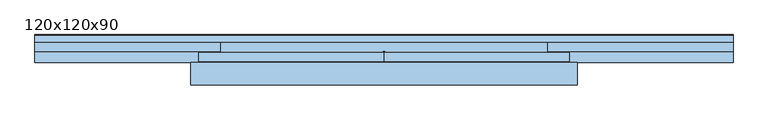
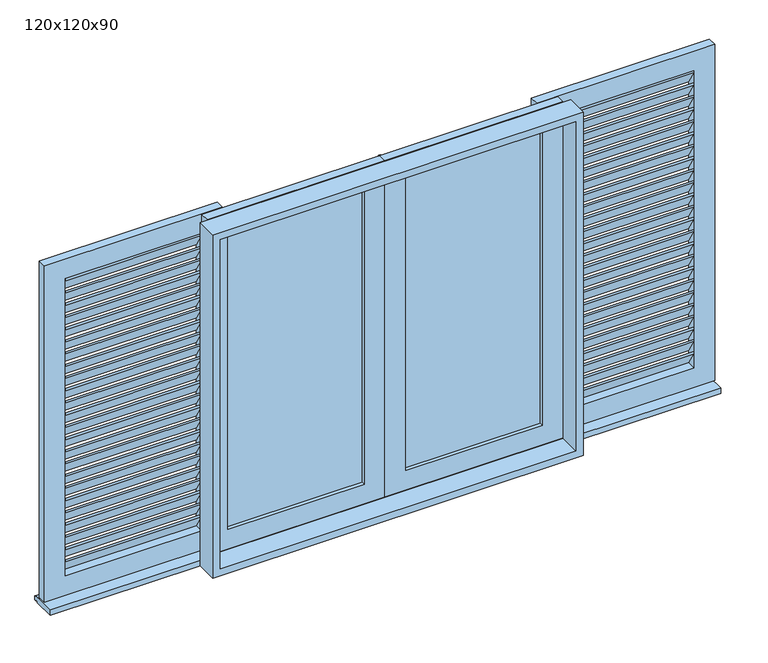
"""IFC4 building model written with IfcOpenShell, lengths in millimetres: window geometry, 120x120x90."""

import ifcopenshell
import ifcopenshell.guid

model = None  # the IFC model being written
_history = None  # IfcOwnerHistory: only IFC2X3 demands one
_inside = {}  # id of a spatial element -> (the spatial element, [elements in it])
_under = {}  # id of a project, library or spatial element -> (it, [spatial elements below it])
_declared = {}  # id of a project -> (the project, [libraries it declares])
_typed = {}  # id of a type object -> (the type object, [elements of that type])
_made_of = {}  # id of a material, layer set ... -> (it, [elements and type objects made of it])


def new_model(schema):
    """Start an empty IFC model of exactly this schema.

    Asked for "IFC4X3", IfcOpenShell would pick the latest addendum, in which some entities
    have other attributes; the version numbers below select the first issue.
    IFC2X3 requires an IfcOwnerHistory on every rooted entity: one is made here for all.
    """
    global model, _history
    if schema == "IFC4X3":
        model = ifcopenshell.file(schema_version=(4, 3, 0, 0))
    else:
        model = ifcopenshell.file(schema=schema)
    _inside.clear()
    _under.clear()
    _declared.clear()
    _typed.clear()
    _made_of.clear()
    _history = None
    if model.schema == "IFC2X3":
        org = make("IfcOrganization", Name="unknown")
        user = make(
            "IfcPersonAndOrganization",
            ThePerson=make("IfcPerson", FamilyName="unknown"),
            TheOrganization=org,
        )
        app = make(
            "IfcApplication",
            ApplicationDeveloper=org,
            Version="unknown",
            ApplicationFullName="unknown",
            ApplicationIdentifier="unknown",
        )
        _history = make(
            "IfcOwnerHistory",
            OwningUser=user,
            OwningApplication=app,
            ChangeAction="ADDED",
            CreationDate=0,
        )
    return model


def make(cls, **values):
    """One entity of the class cls with the attributes given. An attribute that is None is left unset."""
    return model.create_entity(
        cls, **{name: value for name, value in values.items() if value is not None}
    )


def rooted(cls, **values):
    """An entity with a GlobalId (a new one), such as an element, a storey or a relation."""
    return make(cls, GlobalId=ifcopenshell.guid.new(), OwnerHistory=_history, **values)


def si_unit(unit_type, name, prefix=None):
    """IfcSIUnit, for example si_unit("LENGTHUNIT", "METRE", prefix="MILLI")."""
    return make("IfcSIUnit", UnitType=unit_type, Prefix=prefix, Name=name)


def assignment(units):
    """IfcUnitAssignment: the units of a project."""
    return None if units is None else make("IfcUnitAssignment", Units=units)


def point(xyz):
    """IfcCartesianPoint."""
    return None if xyz is None else make("IfcCartesianPoint", Coordinates=xyz)


def direction(xyz):
    """IfcDirection."""
    return None if xyz is None else make("IfcDirection", DirectionRatios=xyz)


def frame(location, z_axis=None, x_axis=None):
    """IfcAxis2Placement3D, a coordinate frame: its origin and axes. An axis left out is left unset."""
    return make(
        "IfcAxis2Placement3D",
        Location=point(location),
        Axis=direction(z_axis),
        RefDirection=direction(x_axis),
    )


def frame_2d(location, x_axis=None):
    """IfcAxis2Placement2D, a coordinate frame in the plane: its origin and x axis."""
    return make(
        "IfcAxis2Placement2D", Location=point(location), RefDirection=direction(x_axis)
    )


def origin():
    """The frame at (0, 0, 0) with its axes left unset."""
    return frame((0.0, 0.0, 0.0))


def place(relative_to, where):
    """IfcLocalPlacement: puts the frame where relative to a parent placement (None: the world)."""
    return make(
        "IfcLocalPlacement", PlacementRelTo=relative_to, RelativePlacement=where
    )


def context(
    kind, dimensions, precision=None, world=None, true_north=None, identifier=None
):
    """IfcGeometricRepresentationContext, for example the 3D "Model" context."""
    return make(
        "IfcGeometricRepresentationContext",
        ContextIdentifier=identifier,
        ContextType=kind,
        CoordinateSpaceDimension=dimensions,
        Precision=precision,
        WorldCoordinateSystem=world,
        TrueNorth=true_north,
    )


def project(units=None, contexts=None):
    """IfcProject with its units and contexts."""
    return rooted(
        "IfcProject",
        Name="project",
        RepresentationContexts=contexts,
        UnitsInContext=assignment(units),
    )


def spatial(cls, under=None, at=None, **own):
    """A site, building, storey or space (cls), placed at a placement, below another one or the project."""
    s = rooted(cls, ObjectPlacement=at, **own)
    if under is not None:
        _under.setdefault(under.id(), (under, []))[1].append(s)
    return s


def polyline(points):
    """IfcPolyline through the points."""
    return make("IfcPolyline", Points=[point(p) for p in points])


def circle_curve(where, radius):
    """IfcCircle in the frame where."""
    return make("IfcCircle", Position=where, Radius=radius)


def trimmed(basis, trim1, trim2, sense, master):
    """IfcTrimmedCurve: the piece of a basis curve between two trims."""
    return make(
        "IfcTrimmedCurve",
        BasisCurve=basis,
        Trim1=trim1,
        Trim2=trim2,
        SenseAgreement=sense,
        MasterRepresentation=master,
    )


def segment(curve, same_sense, transition):
    """IfcCompositeCurveSegment."""
    return make(
        "IfcCompositeCurveSegment",
        Transition=transition,
        SameSense=same_sense,
        ParentCurve=curve,
    )


def composite_curve(segments, self_intersect=None):
    """IfcCompositeCurve: segments joined end to end."""
    return make("IfcCompositeCurve", Segments=segments, SelfIntersect=self_intersect)


def outline(outer, holes=None, kind="AREA"):
    """IfcArbitraryClosedProfileDef: a profile drawn as a closed curve; with holes, ...WithVoids."""
    if holes is None:
        return make("IfcArbitraryClosedProfileDef", ProfileType=kind, OuterCurve=outer)
    return make(
        "IfcArbitraryProfileDefWithVoids",
        ProfileType=kind,
        OuterCurve=outer,
        InnerCurves=holes,
    )


def extrude(swept, where, along, depth):
    """IfcExtrudedAreaSolid: the profile swept, set in the frame where, extruded along a direction by depth."""
    return make(
        "IfcExtrudedAreaSolid",
        SweptArea=swept,
        Position=where,
        ExtrudedDirection=direction(along),
        Depth=depth,
    )


def shape(context_of_items, identifier, shape_type, items):
    """IfcShapeRepresentation: the items that make up one representation, for example the "Body"."""
    return make(
        "IfcShapeRepresentation",
        ContextOfItems=context_of_items,
        RepresentationIdentifier=identifier,
        RepresentationType=shape_type,
        Items=items,
    )


def source(mapping_origin, context_of_items, identifier, shape_type, items):
    """IfcRepresentationMap: a shape defined once, which mapped items show again and again."""
    return make(
        "IfcRepresentationMap",
        MappingOrigin=mapping_origin,
        MappedRepresentation=shape(context_of_items, identifier, shape_type, items),
    )


def transform(
    local_origin,
    x_axis=None,
    y_axis=None,
    z_axis=None,
    scale=None,
    scale2=None,
    scale3=None,
    uniform=True,
):
    """IfcCartesianTransformationOperator3D, or its non-uniform kind. x_axis, y_axis, z_axis: its Axis1, 2, 3."""
    if uniform:
        return make(
            "IfcCartesianTransformationOperator3D",
            Axis1=direction(x_axis),
            Axis2=direction(y_axis),
            LocalOrigin=point(local_origin),
            Scale=scale,
            Axis3=direction(z_axis),
        )
    return make(
        "IfcCartesianTransformationOperator3DnonUniform",
        Axis1=direction(x_axis),
        Axis2=direction(y_axis),
        LocalOrigin=point(local_origin),
        Scale=scale,
        Axis3=direction(z_axis),
        Scale2=scale2,
        Scale3=scale3,
    )


def mapped(mapping_source, mapping_target):
    """IfcMappedItem: shows the shape of a source again, moved by a transform."""
    return make(
        "IfcMappedItem", MappingSource=mapping_source, MappingTarget=mapping_target
    )


def made_of(thing, what):
    """Note that an element or type object is made of a material, layer set ...; save() writes the relation."""
    if what is not None:
        _made_of.setdefault(what.id(), (what, []))[1].append(thing)
    return thing


def element(
    cls,
    number,
    at=None,
    inside=None,
    cuts=None,
    type_object=None,
    material=None,
    context=None,
    identifier="Body",
    shape_type=None,
    held_by="IfcProductDefinitionShape",
    body=None,
    shapes=None,
    **own,
):
    """One element of the class cls, such as IfcWall. Its Tag is "e" and its number.

    at: its placement. inside: the storey or other place that contains it. cuts: it is an
    opening in that element (IfcRelVoidsElement). A single representation is given by context,
    identifier, shape_type and body (its items); several are given by shapes. held_by: the class
    of the entity that holds the representations. save() writes the other relations.
    """
    e = rooted(cls, Tag="e%d" % number, ObjectPlacement=at, **own)
    if body is not None:
        shapes = [shape(context, identifier, shape_type, body)]
    if shapes is not None:
        e.Representation = make(held_by, Representations=shapes)
    if inside is not None:
        _inside.setdefault(inside.id(), (inside, []))[1].append(e)
    if cuts is not None:
        rooted(
            "IfcRelVoidsElement", RelatingBuildingElement=cuts, RelatedOpeningElement=e
        )
    if type_object is not None:
        _typed.setdefault(type_object.id(), (type_object, []))[1].append(e)
    return made_of(e, material)


def aggregate(whole, parts):
    """IfcRelAggregates: a whole, such as a stair, and the parts it consists of."""
    return rooted("IfcRelAggregates", RelatingObject=whole, RelatedObjects=parts)


def save(model, path):
    """Write the relations noted so far, then the file.

    IfcRelAggregates (storeys below a building ...), IfcRelContainedInSpatialStructure (elements
    in a storey), IfcRelDefinesByType, IfcRelAssociatesMaterial and IfcRelDeclares: one each for
    every whole, place, type object, material and project.
    """
    for whole, parts in _under.values():
        aggregate(whole, parts)
    for where, things in _inside.values():
        rooted(
            "IfcRelContainedInSpatialStructure",
            RelatedElements=things,
            RelatingStructure=where,
        )
    for kind, things in _typed.values():
        rooted("IfcRelDefinesByType", RelatedObjects=things, RelatingType=kind)
    for what, things in _made_of.values():
        rooted("IfcRelAssociatesMaterial", RelatedObjects=things, RelatingMaterial=what)
    for by, libraries in _declared.values():
        rooted("IfcRelDeclares", RelatingContext=by, RelatedDefinitions=libraries)
    model.write(path)


def plane_surface(at):
    """IfcPlane: the flat surface through the origin of the frame at, square to its z axis."""
    return make("IfcPlane", Position=at)


def cylinder_surface(at, radius):
    """IfcCylindricalSurface: all points at the distance radius from the z axis of the frame at."""
    return make("IfcCylindricalSurface", Position=at, Radius=radius)


def revolved_surface(curve, axis_point, axis_direction):
    """IfcSurfaceOfRevolution: the curve turned about the line through axis_point along axis_direction."""
    return make(
        "IfcSurfaceOfRevolution",
        SweptCurve=make("IfcArbitraryOpenProfileDef", ProfileType="CURVE", Curve=curve),
        AxisPosition=make("IfcAxis1Placement", Location=point(axis_point), Axis=direction(axis_direction)),
    )


def advanced_brep(points, edges, surfaces, faces):
    """IfcAdvancedBrep: a solid bounded by faces that lie on surfaces and meet in shared edges.

    An edge is (start, end): straight between two places in points (the first is 0);
    or (start, end, curve); or (start, end, curve, False) where it runs against its curve.
    A face is (place in surfaces, loops), or (place, loops, False) where it looks against
    its surface's normal. A loop lists edges by number (the first is 1), with a minus sign
    where the edge is run from its end to its start. The first loop is the outer one.
    """
    corners = [point(p) for p in points]
    vertices = [make("IfcVertexPoint", VertexGeometry=c) for c in corners]
    made = []
    for start, end, *more in edges:
        made.append(
            make(
                "IfcEdgeCurve",
                EdgeStart=vertices[start],
                EdgeEnd=vertices[end],
                EdgeGeometry=more[0] if more else make("IfcPolyline", Points=[corners[start], corners[end]]),
                SameSense=more[1] if len(more) > 1 else True,
            )
        )
    hull = []
    for where, loops, *sense in faces:
        bounds = []
        for j, loop in enumerate(loops):
            ring = [make("IfcOrientedEdge", EdgeElement=made[abs(k) - 1], Orientation=k > 0) for k in loop]
            bounds.append(
                make(
                    "IfcFaceOuterBound" if j == 0 else "IfcFaceBound",
                    Bound=make("IfcEdgeLoop", EdgeList=ring),
                    Orientation=True,
                )
            )
        hull.append(make("IfcAdvancedFace", Bounds=bounds, FaceSurface=surfaces[where], SameSense=sense[0] if sense else True))
    return make("IfcAdvancedBrep", Outer=make("IfcClosedShell", CfsFaces=hull))


def window_120x120x90_fa614fcd(model_context):
    return source(origin(), model_context, "Body", "SolidModel", [
        extrude(outline(polyline([(72.5773038, 1021.3496198), (72.5773038, 1013.5750173), (42.5773038, 1063.5750173), (42.5773038, 1071.3496198), (72.5773038, 1021.3496198)])), frame((-1060.0, 0.0, 0.0), z_axis=(1.0, 0.0, 0.0), x_axis=(0.0, 1.0, 0.0)), (0.0, 0.0, 1.0), 460.0),
        extrude(outline(polyline([(72.5773038, 1064.9246371), (72.5773038, 1057.1500346), (42.5773038, 1107.1500346), (42.5773038, 1114.9246371), (72.5773038, 1064.9246371)])), frame((-1060.0, 0.0, 0.0), z_axis=(1.0, 0.0, 0.0), x_axis=(0.0, 1.0, 0.0)), (0.0, 0.0, 1.0), 460.0),
        extrude(outline(polyline([(72.5773038, 1108.4996544), (72.5773038, 1100.7250518), (42.5773038, 1150.7250518), (42.5773038, 1158.4996544), (72.5773038, 1108.4996544)])), frame((-1060.0, 0.0, 0.0), z_axis=(1.0, 0.0, 0.0), x_axis=(0.0, 1.0, 0.0)), (0.0, 0.0, 1.0), 460.0),
        extrude(outline(polyline([(72.5773038, 1152.0746717), (72.5773038, 1144.3000691), (42.5773038, 1194.3000691), (42.5773038, 1202.0746717), (72.5773038, 1152.0746717)])), frame((-1060.0, 0.0, 0.0), z_axis=(1.0, 0.0, 0.0), x_axis=(0.0, 1.0, 0.0)), (0.0, 0.0, 1.0), 460.0),
        extrude(outline(polyline([(72.5773038, 1195.6496889), (72.5773038, 1187.8750864), (42.5773038, 1237.8750864), (42.5773038, 1245.6496889), (72.5773038, 1195.6496889)])), frame((-1060.0, 0.0, 0.0), z_axis=(1.0, 0.0, 0.0), x_axis=(0.0, 1.0, 0.0)), (0.0, 0.0, 1.0), 460.0),
        extrude(outline(polyline([(72.5773038, 1239.2247062), (72.5773038, 1231.4501037), (42.5773038, 1281.4501037), (42.5773038, 1289.2247062), (72.5773038, 1239.2247062)])), frame((-1060.0, 0.0, 0.0), z_axis=(1.0, 0.0, 0.0), x_axis=(0.0, 1.0, 0.0)), (0.0, 0.0, 1.0), 460.0),
        extrude(outline(polyline([(72.5773038, 1282.7997235), (72.5773038, 1275.025121), (42.5773038, 1325.025121), (42.5773038, 1332.7997235), (72.5773038, 1282.7997235)])), frame((-1060.0, 0.0, 0.0), z_axis=(1.0, 0.0, 0.0), x_axis=(0.0, 1.0, 0.0)), (0.0, 0.0, 1.0), 460.0),
        extrude(outline(polyline([(72.5773038, 1326.3747408), (72.5773038, 1318.6001383), (42.5773038, 1368.6001383), (42.5773038, 1376.3747408), (72.5773038, 1326.3747408)])), frame((-1060.0, 0.0, 0.0), z_axis=(1.0, 0.0, 0.0), x_axis=(0.0, 1.0, 0.0)), (0.0, 0.0, 1.0), 460.0),
        extrude(outline(polyline([(72.5773038, 1369.9497581), (72.5773038, 1362.1751555), (42.5773038, 1412.1751555), (42.5773038, 1419.9497581), (72.5773038, 1369.9497581)])), frame((-1060.0, 0.0, 0.0), z_axis=(1.0, 0.0, 0.0), x_axis=(0.0, 1.0, 0.0)), (0.0, 0.0, 1.0), 460.0),
        extrude(outline(polyline([(72.5773038, 1413.5247753), (72.5773038, 1405.7501728), (42.5773038, 1455.7501728), (42.5773038, 1463.5247753), (72.5773038, 1413.5247753)])), frame((-1060.0, 0.0, 0.0), z_axis=(1.0, 0.0, 0.0), x_axis=(0.0, 1.0, 0.0)), (0.0, 0.0, 1.0), 460.0),
        extrude(outline(polyline([(72.5773038, 1457.0997926), (72.5773038, 1449.3251901), (42.5773038, 1499.3251901), (42.5773038, 1507.0997926), (72.5773038, 1457.0997926)])), frame((-1060.0, 0.0, 0.0), z_axis=(1.0, 0.0, 0.0), x_axis=(0.0, 1.0, 0.0)), (0.0, 0.0, 1.0), 460.0),
        extrude(outline(polyline([(72.5773038, 1500.6748099), (72.5773038, 1492.9002074), (42.5773038, 1542.9002074), (42.5773038, 1550.6748099), (72.5773038, 1500.6748099)])), frame((-1060.0, 0.0, 0.0), z_axis=(1.0, 0.0, 0.0), x_axis=(0.0, 1.0, 0.0)), (0.0, 0.0, 1.0), 460.0),
        extrude(outline(polyline([(72.5773038, 1544.2498272), (72.5773038, 1536.4752247), (42.5773038, 1586.4752247), (42.5773038, 1594.2498272), (72.5773038, 1544.2498272)])), frame((-1060.0, 0.0, 0.0), z_axis=(1.0, 0.0, 0.0), x_axis=(0.0, 1.0, 0.0)), (0.0, 0.0, 1.0), 460.0),
        extrude(outline(polyline([(72.5773038, 1587.8248445), (72.5773038, 1580.0502419), (42.5773038, 1630.0502419), (42.5773038, 1637.8248445), (72.5773038, 1587.8248445)])), frame((-1060.0, 0.0, 0.0), z_axis=(1.0, 0.0, 0.0), x_axis=(0.0, 1.0, 0.0)), (0.0, 0.0, 1.0), 460.0),
        extrude(outline(polyline([(72.5773038, 1631.3998617), (72.5773038, 1623.6252592), (42.5773038, 1673.6252592), (42.5773038, 1681.3998617), (72.5773038, 1631.3998617)])), frame((-1060.0, 0.0, 0.0), z_axis=(1.0, 0.0, 0.0), x_axis=(0.0, 1.0, 0.0)), (0.0, 0.0, 1.0), 460.0),
        extrude(outline(polyline([(72.5773038, 1674.974879), (72.5773038, 1667.2002765), (42.5773038, 1717.2002765), (42.5773038, 1724.974879), (72.5773038, 1674.974879)])), frame((-1060.0, 0.0, 0.0), z_axis=(1.0, 0.0, 0.0), x_axis=(0.0, 1.0, 0.0)), (0.0, 0.0, 1.0), 460.0),
        extrude(outline(polyline([(72.5773038, 1718.5498963), (72.5773038, 1710.7752938), (42.5773038, 1760.7752938), (42.5773038, 1768.5498963), (72.5773038, 1718.5498963)])), frame((-1060.0, 0.0, 0.0), z_axis=(1.0, 0.0, 0.0), x_axis=(0.0, 1.0, 0.0)), (0.0, 0.0, 1.0), 460.0),
        extrude(outline(polyline([(72.5773038, 1762.1249136), (72.5773038, 1754.3503111), (42.5773038, 1804.3503111), (42.5773038, 1812.1249136), (72.5773038, 1762.1249136)])), frame((-1060.0, 0.0, 0.0), z_axis=(1.0, 0.0, 0.0), x_axis=(0.0, 1.0, 0.0)), (0.0, 0.0, 1.0), 460.0),
        extrude(outline(polyline([(72.5773038, 1805.6999309), (72.5773038, 1797.9253283), (42.5773038, 1847.9253283), (42.5773038, 1855.6999309), (72.5773038, 1805.6999309)])), frame((-1060.0, 0.0, 0.0), z_axis=(1.0, 0.0, 0.0), x_axis=(0.0, 1.0, 0.0)), (0.0, 0.0, 1.0), 460.0),
        extrude(outline(polyline([(72.5773038, 1849.2749482), (72.5773038, 1841.5003456), (42.5773038, 1891.5003456), (42.5773038, 1899.2749482), (72.5773038, 1849.2749482)])), frame((-1060.0, 0.0, 0.0), z_axis=(1.0, 0.0, 0.0), x_axis=(0.0, 1.0, 0.0)), (0.0, 0.0, 1.0), 460.0),
        extrude(outline(polyline([(72.5773038, 1892.8499654), (72.5773038, 1885.0753629), (42.5773038, 1935.0753629), (42.5773038, 1942.8499654), (72.5773038, 1892.8499654)])), frame((-1060.0, 0.0, 0.0), z_axis=(1.0, 0.0, 0.0), x_axis=(0.0, 1.0, 0.0)), (0.0, 0.0, 1.0), 460.0),
        extrude(outline(polyline([(72.5773038, 1936.4249827), (72.5773038, 1928.6503802), (42.5773038, 1978.6503802), (42.5773038, 1986.4249827), (72.5773038, 1936.4249827)])), frame((-1060.0, 0.0, 0.0), z_axis=(1.0, 0.0, 0.0), x_axis=(0.0, 1.0, 0.0)), (0.0, 0.0, 1.0), 460.0),
        extrude(outline(polyline([(72.5773038, 977.7746025), (72.5773038, 970.0), (42.5773038, 1020.0), (42.5773038, 1027.7746025), (72.5773038, 977.7746025)])), frame((-1060.0, 0.0, 0.0), z_axis=(1.0, 0.0, 0.0), x_axis=(0.0, 1.0, 0.0)), (0.0, 0.0, 1.0), 460.0),
        extrude(outline(polyline([(72.5773038, 1980.0), (72.5773038, 1972.2253975), (42.5773038, 2022.2253975), (42.5773038, 2030.0), (72.5773038, 1980.0)])), frame((-1060.0, 0.0, 0.0), z_axis=(1.0, 0.0, 0.0), x_axis=(0.0, 1.0, 0.0)), (0.0, 0.0, 1.0), 460.0),
        extrude(outline(polyline([(2100.0, -1130.0), (900.0, -1130.0), (900.0, -530.0), (2100.0, -530.0), (2100.0, -1130.0)]), holes=[polyline([(2030.0, -1060.0), (2030.0, -600.0), (970.0, -600.0), (970.0, -1060.0), (2030.0, -1060.0)])]), frame((0.0, 42.5773038, 0.0), z_axis=(0.0, 1.0, 0.0), x_axis=(0.0, 0.0, 1.0)), (0.0, 0.0, 1.0), 30.0),
        extrude(outline(polyline([(72.5773038, 1021.3496198), (72.5773038, 1013.5750173), (42.5773038, 1063.5750173), (42.5773038, 1071.3496198), (72.5773038, 1021.3496198)])), frame((600.0, 0.0, 0.0), z_axis=(1.0, 0.0, 0.0), x_axis=(0.0, 1.0, 0.0)), (0.0, 0.0, 1.0), 460.0),
        extrude(outline(polyline([(72.5773038, 1064.9246371), (72.5773038, 1057.1500346), (42.5773038, 1107.1500346), (42.5773038, 1114.9246371), (72.5773038, 1064.9246371)])), frame((600.0, 0.0, 0.0), z_axis=(1.0, 0.0, 0.0), x_axis=(0.0, 1.0, 0.0)), (0.0, 0.0, 1.0), 460.0),
        extrude(outline(polyline([(72.5773038, 1108.4996544), (72.5773038, 1100.7250518), (42.5773038, 1150.7250518), (42.5773038, 1158.4996544), (72.5773038, 1108.4996544)])), frame((600.0, 0.0, 0.0), z_axis=(1.0, 0.0, 0.0), x_axis=(0.0, 1.0, 0.0)), (0.0, 0.0, 1.0), 460.0),
        extrude(outline(polyline([(72.5773038, 1152.0746717), (72.5773038, 1144.3000691), (42.5773038, 1194.3000691), (42.5773038, 1202.0746717), (72.5773038, 1152.0746717)])), frame((600.0, 0.0, 0.0), z_axis=(1.0, 0.0, 0.0), x_axis=(0.0, 1.0, 0.0)), (0.0, 0.0, 1.0), 460.0),
        extrude(outline(polyline([(72.5773038, 1195.6496889), (72.5773038, 1187.8750864), (42.5773038, 1237.8750864), (42.5773038, 1245.6496889), (72.5773038, 1195.6496889)])), frame((600.0, 0.0, 0.0), z_axis=(1.0, 0.0, 0.0), x_axis=(0.0, 1.0, 0.0)), (0.0, 0.0, 1.0), 460.0),
        extrude(outline(polyline([(72.5773038, 1239.2247062), (72.5773038, 1231.4501037), (42.5773038, 1281.4501037), (42.5773038, 1289.2247062), (72.5773038, 1239.2247062)])), frame((600.0, 0.0, 0.0), z_axis=(1.0, 0.0, 0.0), x_axis=(0.0, 1.0, 0.0)), (0.0, 0.0, 1.0), 460.0),
        extrude(outline(polyline([(72.5773038, 1282.7997235), (72.5773038, 1275.025121), (42.5773038, 1325.025121), (42.5773038, 1332.7997235), (72.5773038, 1282.7997235)])), frame((600.0, 0.0, 0.0), z_axis=(1.0, 0.0, 0.0), x_axis=(0.0, 1.0, 0.0)), (0.0, 0.0, 1.0), 460.0),
        extrude(outline(polyline([(72.5773038, 1326.3747408), (72.5773038, 1318.6001383), (42.5773038, 1368.6001383), (42.5773038, 1376.3747408), (72.5773038, 1326.3747408)])), frame((600.0, 0.0, 0.0), z_axis=(1.0, 0.0, 0.0), x_axis=(0.0, 1.0, 0.0)), (0.0, 0.0, 1.0), 460.0),
        extrude(outline(polyline([(72.5773038, 1369.9497581), (72.5773038, 1362.1751555), (42.5773038, 1412.1751555), (42.5773038, 1419.9497581), (72.5773038, 1369.9497581)])), frame((600.0, 0.0, 0.0), z_axis=(1.0, 0.0, 0.0), x_axis=(0.0, 1.0, 0.0)), (0.0, 0.0, 1.0), 460.0),
        extrude(outline(polyline([(72.5773038, 1413.5247753), (72.5773038, 1405.7501728), (42.5773038, 1455.7501728), (42.5773038, 1463.5247753), (72.5773038, 1413.5247753)])), frame((600.0, 0.0, 0.0), z_axis=(1.0, 0.0, 0.0), x_axis=(0.0, 1.0, 0.0)), (0.0, 0.0, 1.0), 460.0),
        extrude(outline(polyline([(72.5773038, 1457.0997926), (72.5773038, 1449.3251901), (42.5773038, 1499.3251901), (42.5773038, 1507.0997926), (72.5773038, 1457.0997926)])), frame((600.0, 0.0, 0.0), z_axis=(1.0, 0.0, 0.0), x_axis=(0.0, 1.0, 0.0)), (0.0, 0.0, 1.0), 460.0),
        extrude(outline(polyline([(72.5773038, 1500.6748099), (72.5773038, 1492.9002074), (42.5773038, 1542.9002074), (42.5773038, 1550.6748099), (72.5773038, 1500.6748099)])), frame((600.0, 0.0, 0.0), z_axis=(1.0, 0.0, 0.0), x_axis=(0.0, 1.0, 0.0)), (0.0, 0.0, 1.0), 460.0),
        extrude(outline(polyline([(72.5773038, 1544.2498272), (72.5773038, 1536.4752247), (42.5773038, 1586.4752247), (42.5773038, 1594.2498272), (72.5773038, 1544.2498272)])), frame((600.0, 0.0, 0.0), z_axis=(1.0, 0.0, 0.0), x_axis=(0.0, 1.0, 0.0)), (0.0, 0.0, 1.0), 460.0),
        extrude(outline(polyline([(72.5773038, 1587.8248445), (72.5773038, 1580.0502419), (42.5773038, 1630.0502419), (42.5773038, 1637.8248445), (72.5773038, 1587.8248445)])), frame((600.0, 0.0, 0.0), z_axis=(1.0, 0.0, 0.0), x_axis=(0.0, 1.0, 0.0)), (0.0, 0.0, 1.0), 460.0),
        extrude(outline(polyline([(72.5773038, 1631.3998617), (72.5773038, 1623.6252592), (42.5773038, 1673.6252592), (42.5773038, 1681.3998617), (72.5773038, 1631.3998617)])), frame((600.0, 0.0, 0.0), z_axis=(1.0, 0.0, 0.0), x_axis=(0.0, 1.0, 0.0)), (0.0, 0.0, 1.0), 460.0),
        extrude(outline(polyline([(72.5773038, 1674.974879), (72.5773038, 1667.2002765), (42.5773038, 1717.2002765), (42.5773038, 1724.974879), (72.5773038, 1674.974879)])), frame((600.0, 0.0, 0.0), z_axis=(1.0, 0.0, 0.0), x_axis=(0.0, 1.0, 0.0)), (0.0, 0.0, 1.0), 460.0),
        extrude(outline(polyline([(72.5773038, 1718.5498963), (72.5773038, 1710.7752938), (42.5773038, 1760.7752938), (42.5773038, 1768.5498963), (72.5773038, 1718.5498963)])), frame((600.0, 0.0, 0.0), z_axis=(1.0, 0.0, 0.0), x_axis=(0.0, 1.0, 0.0)), (0.0, 0.0, 1.0), 460.0),
        extrude(outline(polyline([(72.5773038, 1762.1249136), (72.5773038, 1754.3503111), (42.5773038, 1804.3503111), (42.5773038, 1812.1249136), (72.5773038, 1762.1249136)])), frame((600.0, 0.0, 0.0), z_axis=(1.0, 0.0, 0.0), x_axis=(0.0, 1.0, 0.0)), (0.0, 0.0, 1.0), 460.0),
        extrude(outline(polyline([(72.5773038, 1805.6999309), (72.5773038, 1797.9253283), (42.5773038, 1847.9253283), (42.5773038, 1855.6999309), (72.5773038, 1805.6999309)])), frame((600.0, 0.0, 0.0), z_axis=(1.0, 0.0, 0.0), x_axis=(0.0, 1.0, 0.0)), (0.0, 0.0, 1.0), 460.0),
        extrude(outline(polyline([(72.5773038, 1849.2749482), (72.5773038, 1841.5003456), (42.5773038, 1891.5003456), (42.5773038, 1899.2749482), (72.5773038, 1849.2749482)])), frame((600.0, 0.0, 0.0), z_axis=(1.0, 0.0, 0.0), x_axis=(0.0, 1.0, 0.0)), (0.0, 0.0, 1.0), 460.0),
        extrude(outline(polyline([(72.5773038, 1892.8499654), (72.5773038, 1885.0753629), (42.5773038, 1935.0753629), (42.5773038, 1942.8499654), (72.5773038, 1892.8499654)])), frame((600.0, 0.0, 0.0), z_axis=(1.0, 0.0, 0.0), x_axis=(0.0, 1.0, 0.0)), (0.0, 0.0, 1.0), 460.0),
        extrude(outline(polyline([(72.5773038, 1936.4249827), (72.5773038, 1928.6503802), (42.5773038, 1978.6503802), (42.5773038, 1986.4249827), (72.5773038, 1936.4249827)])), frame((600.0, 0.0, 0.0), z_axis=(1.0, 0.0, 0.0), x_axis=(0.0, 1.0, 0.0)), (0.0, 0.0, 1.0), 460.0),
        extrude(outline(polyline([(72.5773038, 977.7746025), (72.5773038, 970.0), (42.5773038, 1020.0), (42.5773038, 1027.7746025), (72.5773038, 977.7746025)])), frame((600.0, 0.0, 0.0), z_axis=(1.0, 0.0, 0.0), x_axis=(0.0, 1.0, 0.0)), (0.0, 0.0, 1.0), 460.0),
        extrude(outline(polyline([(72.5773038, 1980.0), (72.5773038, 1972.2253975), (42.5773038, 2022.2253975), (42.5773038, 2030.0), (72.5773038, 1980.0)])), frame((600.0, 0.0, 0.0), z_axis=(1.0, 0.0, 0.0), x_axis=(0.0, 1.0, 0.0)), (0.0, 0.0, 1.0), 460.0),
        extrude(outline(polyline([(2100.0, 1130.0), (2100.0, 530.0), (900.0, 530.0), (900.0, 1130.0), (2100.0, 1130.0)]), holes=[polyline([(2030.0, 1060.0), (970.0, 1060.0), (970.0, 600.0), (2030.0, 600.0), (2030.0, 1060.0)])]), frame((0.0, 42.5773038, 0.0), z_axis=(0.0, 1.0, 0.0), x_axis=(0.0, 0.0, 1.0)), (0.0, 0.0, 1.0), 30.0),
        extrude(outline(polyline([(2100.0, 0.0), (900.0, 0.0), (900.0, 600.0), (2100.0, 600.0), (2100.0, 0.0)]), holes=[polyline([(2030.0, 70.0), (2030.0, 530.0), (970.0, 530.0), (970.0, 70.0), (2030.0, 70.0)])]), frame((0.0, 10.0773038, 0.0), z_axis=(0.0, 1.0, 0.0), x_axis=(0.0, 0.0, 1.0)), (0.0, 0.0, 1.0), 30.0),
        extrude(outline(polyline([(70.0, 22.0773038), (70.0, 28.0773038), (530.0, 28.0773038), (530.0, 22.0773038), (70.0, 22.0773038)])), frame((0.0, 0.0, 970.0), z_axis=(0.0, 0.0, 1.0), x_axis=(1.0, 0.0, 0.0)), (0.0, 0.0, 1.0), 1060.0),
        extrude(outline(polyline([(2100.0, 0.0), (2100.0, -600.0), (900.0, -600.0), (900.0, 0.0), (2100.0, 0.0)]), holes=[polyline([(2030.0, -70.0), (970.0, -70.0), (970.0, -530.0), (2030.0, -530.0), (2030.0, -70.0)])]), frame((0.0, 10.0773038, 0.0), z_axis=(0.0, 1.0, 0.0), x_axis=(0.0, 0.0, 1.0)), (0.0, 0.0, 1.0), 30.0),
        extrude(outline(polyline([(-70.0, 22.0773038), (-530.0, 22.0773038), (-530.0, 28.0773038), (-70.0, 28.0773038), (-70.0, 22.0773038)])), frame((0.0, 0.0, 970.0), z_axis=(0.0, 0.0, 1.0), x_axis=(1.0, 0.0, 0.0)), (0.0, 0.0, 1.0), 1060.0),
        advanced_brep(
        [(625.0, -65.9226962, 2100.0), (-625.0, -65.9226962, 2100.0), (-625.0, -65.9226962, 875.0), (625.0, -65.9226962, 875.0), (600.0, -65.9226962, 2075.0), (600.0, -65.9226962, 900.0), (-600.0, -65.9226962, 900.0), (-600.0, -65.9226962, 2075.0), (-625.0, 7.5773038, 2100.0), (625.0, 7.5773038, 2100.0), (625.0, 7.5773038, 895.0), (-625.0, 7.5773038, 895.0), (600.0, 7.5773038, 2075.0), (-600.0, 7.5773038, 2075.0), (-600.0, 7.5773038, 900.0), (600.0, 7.5773038, 900.0), (-625.0, 7.5773038, 875.0), (-1130.0, 7.5773038, 875.0), (-1130.0, 82.5773038, 875.0), (1130.0, 82.5773038, 875.0), (1130.0, 7.5773038, 875.0), (625.0, 7.5773038, 875.0), (-1130.0, 7.5773038, 895.0), (-1130.0, 72.5773038, 895.0), (-1130.0, 95.0982484, 891.0289498), (-1130.0, 97.5773038, 888.0745266), (-1130.0, 97.5773038, 875.0), (-1130.0, 92.5773038, 875.0), (1130.0, 7.5773038, 895.0), (1130.0, 92.5773038, 875.0), (1130.0, 97.5773038, 875.0), (1130.0, 97.5773038, 888.0745266), (1130.0, 95.0982484, 891.0289498), (1130.0, 72.5773038, 895.0)],
        [
            (0, 1),
            (1, 2),
            (2, 3),
            (3, 0),
            (4, 5),
            (5, 6),
            (6, 7),
            (7, 4),
            (8, 9),
            (9, 10),
            (10, 11),
            (11, 8),
            (12, 13),
            (13, 14),
            (14, 15),
            (15, 12),
            (0, 9),
            (8, 1),
            (11, 16),
            (16, 2),
            (16, 17),
            (17, 18),
            (18, 19),
            (19, 20),
            (20, 21),
            (21, 3),
            (21, 10),
            (4, 12),
            (15, 5),
            (14, 6),
            (13, 7),
            (22, 23),
            (23, 24),
            (24, 25, circle_curve(frame((-1130.0, 94.5773038, 888.0745266), z_axis=(-1.0, 0.0, 0.0), x_axis=(0.0, -1.0, 0.0)), 3.0)),
            (25, 26),
            (26, 27),
            (27, 18, circle_curve(frame((-1130.0, 87.5773038, 875.0), z_axis=(1.0, 0.0, 0.0), x_axis=(0.0, -1.0, 0.0)), 5.0)),
            (17, 22),
            (28, 20),
            (19, 29, circle_curve(frame((1130.0, 87.5773038, 875.0), z_axis=(-1.0, 0.0, 0.0), x_axis=(0.0, -1.0, 0.0)), 5.0)),
            (29, 30),
            (30, 31),
            (31, 32, circle_curve(frame((1130.0, 94.5773038, 888.0745266), z_axis=(1.0, 0.0, 0.0), x_axis=(0.0, -1.0, 0.0)), 3.0)),
            (32, 33),
            (33, 28),
            (22, 11),
            (10, 28),
            (33, 23),
            (32, 24),
            (31, 25),
            (30, 26),
            (29, 27),
        ],
        [
            plane_surface(frame((-625.0, -65.9226962, 2100.0), z_axis=(0.0, -1.0, 0.0), x_axis=(-1.0, 0.0, 0.0))),
            plane_surface(frame((-625.0, 7.5773038, 2100.0), z_axis=(0.0, 1.0, 0.0), x_axis=(1.0, 0.0, 0.0))),
            plane_surface(frame((625.0, -65.9226962, 2100.0), z_axis=(0.0, 0.0, 1.0), x_axis=(0.0, 1.0, 0.0))),
            plane_surface(frame((-625.0, -65.9226962, 2100.0), z_axis=(-1.0, 0.0, 0.0), x_axis=(0.0, 1.0, 0.0))),
            plane_surface(frame((-625.0, -65.9226962, 875.0), z_axis=(0.0, 0.0, -1.0), x_axis=(0.0, 1.0, 0.0))),
            plane_surface(frame((625.0, -65.9226962, 875.0), z_axis=(1.0, 0.0, 0.0), x_axis=(0.0, 1.0, 0.0))),
            plane_surface(frame((600.0, -65.9226962, 2075.0), z_axis=(-1.0, 0.0, 0.0), x_axis=(0.0, 1.0, 0.0))),
            plane_surface(frame((600.0, -65.9226962, 900.0), z_axis=(0.0, 0.0, 1.0), x_axis=(0.0, 1.0, 0.0))),
            plane_surface(frame((-600.0, -65.9226962, 900.0), z_axis=(1.0, 0.0, 0.0), x_axis=(0.0, 1.0, 0.0))),
            plane_surface(frame((-600.0, -65.9226962, 2075.0), z_axis=(0.0, 0.0, -1.0), x_axis=(0.0, 1.0, 0.0))),
            plane_surface(frame((-1130.0, 7.5773038, 895.0), z_axis=(-1.0, 0.0, 0.0), x_axis=(0.0, 1.0, 0.0))),
            plane_surface(frame((1130.0, 7.5773038, 895.0), z_axis=(1.0, 0.0, 0.0), x_axis=(0.0, -1.0, 0.0))),
            plane_surface(frame((-1130.0, 7.5773038, 895.0), z_axis=(0.0, 0.0, 1.0), x_axis=(1.0, 0.0, 0.0))),
            plane_surface(frame((-1130.0, 7.5773038, 875.0), z_axis=(0.0, -1.0, 0.0), x_axis=(1.0, 0.0, 0.0))),
            plane_surface(frame((-1130.0, 72.5773038, 895.0), z_axis=(0.0, 0.1736481776739021, 0.9848077530109788), x_axis=(1.0, 0.0, 0.0))),
            cylinder_surface(frame((1130.0, 94.5773038, 888.0745266), z_axis=(-1.0, 0.0, 0.0), x_axis=(0.0, -1.0, 0.0)), 3.0),
            plane_surface(frame((-1130.0, 97.5773038, 888.0745266), z_axis=(0.0, 1.0, 0.0), x_axis=(1.0, 0.0, 0.0))),
            plane_surface(frame((-1130.0, 97.5773038, 875.0), z_axis=(0.0, 0.0, -1.0), x_axis=(1.0, 0.0, 0.0))),
            revolved_surface(polyline([(1130.0, 82.5773038, 875.0), (-1130.0, 82.5773038, 875.0)]), (1130.0, 87.5773038, 875.0), (1.0, 0.0, 0.0)),
        ],
        [
            (0, [[1, 2, 3, 4], [5, 6, 7, 8]]),
            (1, [[9, 10, 11, 12], [13, 14, 15, 16]]),
            (2, [[-1, 17, -9, 18]]),
            (3, [[-2, -18, -12, 19, 20]]),
            (4, [[-3, -20, 21, 22, 23, 24, 25, 26]]),
            (5, [[-4, -26, 27, -10, -17]]),
            (6, [[-5, 28, -16, 29]]),
            (7, [[-6, -29, -15, 30]]),
            (8, [[-7, -30, -14, 31]]),
            (9, [[-8, -31, -13, -28]]),
            (10, [[32, 33, 34, 35, 36, 37, -22, 38]]),
            (11, [[39, -24, 40, 41, 42, 43, 44, 45]]),
            (12, [[-32, 46, -11, 47, -45, 48]]),
            (13, [[-38, -21, -19, -46]]),
            (13, [[-39, -47, -27, -25]]),
            (14, [[-33, -48, -44, 49]]),
            (15, [[-34, -49, -43, 50]]),
            (16, [[-35, -50, -42, 51]]),
            (17, [[-36, -51, -41, 52]]),
            (18, [[-37, -52, -40, -23]]),
        ],
    ),
        extrude(outline(composite_curve([segment(polyline([(4.4696899, 40.0773038), (-4.4696899, 40.0773038)]), True, "CONTINUOUS"), segment(trimmed(circle_curve(frame_2d((-2.2348449, 40.0773038)), 2.2348449), [point((-4.4696899, 40.0773038))], [point((-2.2348449, 42.3121488))], False, "CARTESIAN"), True, "CONTINUOUS"), segment(polyline([(-2.2348449, 42.3121488), (2.2348449, 42.3121488)]), True, "CONTINUOUS"), segment(trimmed(circle_curve(frame_2d((2.2348449, 40.0773038)), 2.2348449), [point((2.2348449, 42.3121488))], [point((4.4696899, 40.0773038))], False, "CARTESIAN"), True, "CONTINUOUS")], self_intersect=False)), frame((0.0, 0.0, 900.0), z_axis=(0.0, 0.0, 1.0), x_axis=(1.0, 0.0, 0.0)), (0.0, 0.0, 1.0), 1200.0),
    ])


if __name__ == "__main__":
    model = new_model("IFC4")
    model_context = context("Model", 3, world=origin())
    ifc_project = project(units=[si_unit("LENGTHUNIT", "METRE", prefix="MILLI")], contexts=[model_context])
    site = spatial("IfcSite", under=ifc_project)
    building = spatial("IfcBuilding", under=site)
    placement = place(None, origin())
    window_120x120x90_shape = window_120x120x90_fa614fcd(model_context)
    element("IfcWindow", 1, ObjectType="120x120x90", at=placement, inside=building, context=model_context, shape_type="MappedRepresentation", body=[
        mapped(window_120x120x90_shape, transform((0.0, 0.0, 0.0), x_axis=(1.0, 0.0, 0.0), y_axis=(0.0, 1.0, 0.0), z_axis=(0.0, 0.0, 1.0))),
    ])
    save(model, "model.ifc")
